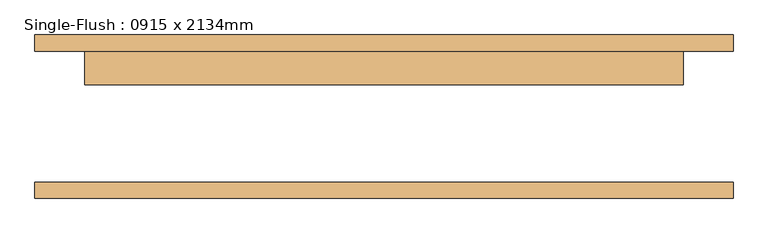
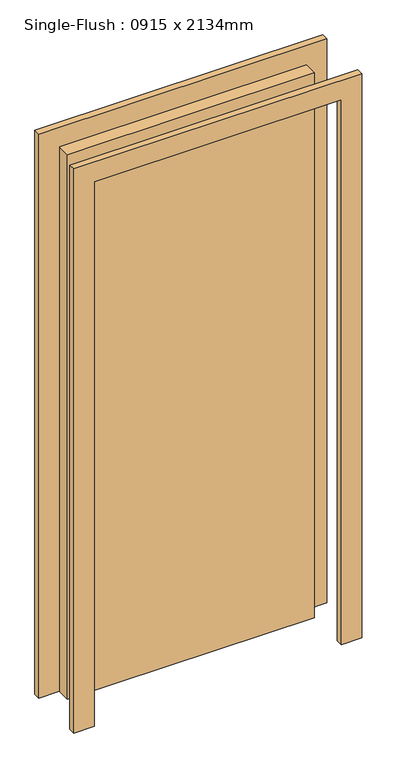
"""IFC4 building model written with IfcOpenShell, lengths in millimetres: door geometry, Single-Flush : 0915 x 2134mm."""

from ifc_helpers import new_model, si_unit, frame, origin, origin_with_axes, place, context, project, spatial, polyline, outline, extrude, source, transform, mapped, element, save


def single_flush_0915_x_2134mm_6a9e8738(model_context):
    return source(origin(), model_context, "Body", "SweptSolid", [
        extrude(outline(polyline([(2210.0, -533.5), (0.0, -533.5), (0.0, -457.5), (2134.0, -457.5), (2134.0, 457.5), (0.0, 457.5), (0.0, 533.5), (2210.0, 533.5), (2210.0, -533.5)])), frame((0.0, 100.0, 0.0), z_axis=(0.0, 1.0, 0.0), x_axis=(0.0, 0.0, 1.0)), (0.0, 0.0, 1.0), 25.0),
        extrude(outline(polyline([(2210.0, 533.5), (2210.0, -533.5), (0.0, -533.5), (0.0, -457.5), (2134.0, -457.5), (2134.0, 457.5), (0.0, 457.5), (0.0, 533.5), (2210.0, 533.5)])), frame((0.0, -125.0, 0.0), z_axis=(0.0, 1.0, 0.0), x_axis=(0.0, 0.0, 1.0)), (0.0, 0.0, 1.0), 25.0),
        extrude(outline(polyline([(457.5, 49.0), (-457.5, 49.0), (-457.5, 100.0), (457.5, 100.0), (457.5, 49.0)])), origin_with_axes(), (0.0, 0.0, 1.0), 2134.0),
    ])


if __name__ == "__main__":
    model = new_model("IFC4")
    model_context = context("Model", 3, world=origin())
    ifc_project = project(units=[si_unit("LENGTHUNIT", "METRE", prefix="MILLI")], contexts=[model_context])
    site = spatial("IfcSite", under=ifc_project)
    building = spatial("IfcBuilding", under=site)
    placement = place(None, origin())
    single_flush_0915_x_2134mm_shape = single_flush_0915_x_2134mm_6a9e8738(model_context)
    element("IfcDoor", 1, ObjectType="Single-Flush : 0915 x 2134mm", at=placement, inside=building, context=model_context, shape_type="MappedRepresentation", body=[
        mapped(single_flush_0915_x_2134mm_shape, transform((0.0, 0.0, 0.0), x_axis=(1.0, 0.0, 0.0), y_axis=(0.0, 1.0, 0.0), z_axis=(0.0, 0.0, 1.0))),
    ])
    save(model, "model.ifc")
